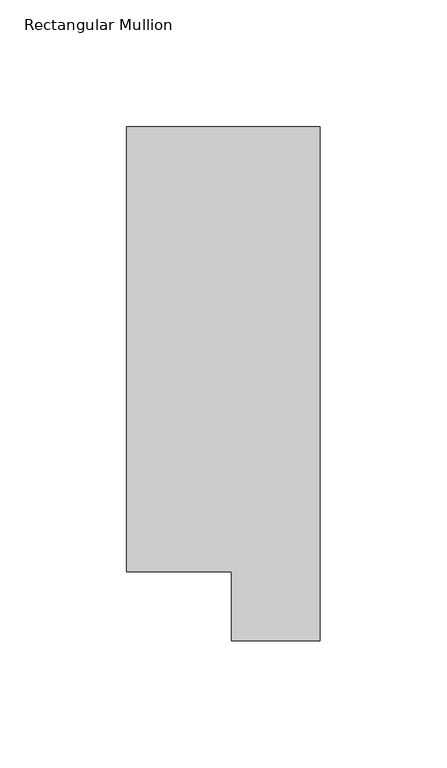
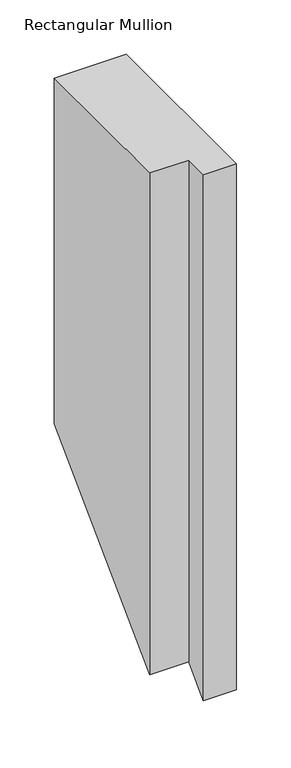
"""IFC4 building model written with IfcOpenShell, lengths in millimetres: member geometry, Rectangular Mullion."""

from ifc_helpers import new_model, si_unit, origin, place, context, project, spatial, faceted_brep, source, transform, mapped, element, save


def rectangular_mullion_115c4081(model_context):
    return source(origin(), model_context, "Body", "Brep", [
        faceted_brep([(0.0, 222.0301312, 0.0), (-76.2, 222.0301312, 0.0), (-76.2, 46.7447302, 0.0), (-34.9123, 46.7447302, 0.0), (-34.9123, 19.5667312, 0.0), (0.0, 19.5667312, 0.0), (0.0, 222.0301312, -387.5381188), (-76.2, 222.0301312, -387.5381188), (-76.2, 46.7447302, -562.8235198), (-34.9123, 46.7447302, -562.8235198), (-34.9123, 19.5667312, -590.0015188), (0.0, 19.5667312, -590.0015188)], [[[0, 1, 2, 3, 4, 5]], [[1, 0, 6, 7]], [[2, 1, 7, 8]], [[3, 2, 8, 9]], [[4, 3, 9, 10]], [[5, 4, 10, 11]], [[0, 5, 11, 6]], [[6, 11, 10, 9, 8, 7]]]),
    ])


if __name__ == "__main__":
    model = new_model("IFC4")
    model_context = context("Model", 3, world=origin())
    ifc_project = project(units=[si_unit("LENGTHUNIT", "METRE", prefix="MILLI")], contexts=[model_context])
    site = spatial("IfcSite", under=ifc_project)
    building = spatial("IfcBuilding", under=site)
    placement = place(None, origin())
    rectangular_mullion_shape = rectangular_mullion_115c4081(model_context)
    element("IfcMember", 1, ObjectType="Rectangular Mullion", at=placement, inside=building, context=model_context, shape_type="MappedRepresentation", body=[
        mapped(rectangular_mullion_shape, transform((0.0, 0.0, 0.0), x_axis=(1.0, 0.0, 0.0), y_axis=(0.0, 1.0, 0.0), z_axis=(0.0, 0.0, 1.0))),
    ])
    save(model, "model.ifc")
